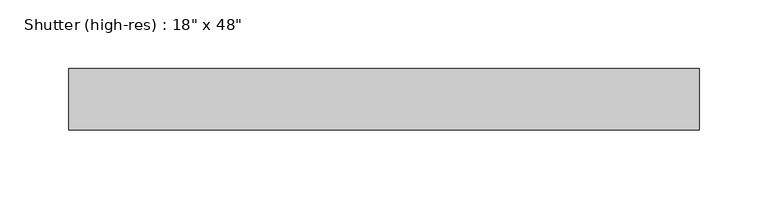
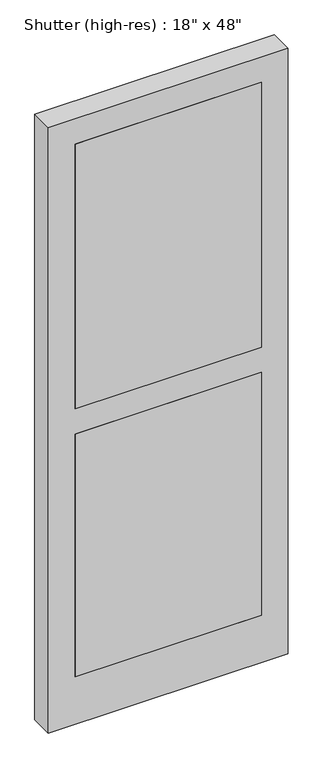
"""IFC4 building model written with IfcOpenShell, lengths in millimetres: proxy geometry."""

from ifc_helpers import new_model, si_unit, frame, origin, place, context, project, spatial, polyline, outline, extrude, source, transform, mapped, element, save


def proxy_112f0d34(model_context):
    return source(origin(), model_context, "Body", "SweptSolid", [
        extrude(outline(polyline([(123.757878, 1498.6), (136.457878, 1454.15), (123.757878, 1454.15), (136.457878, 1409.7), (123.757878, 1409.7), (136.457878, 1365.25), (123.757878, 1365.25), (136.457878, 1320.8), (123.757878, 1320.8), (136.457878, 1276.35), (123.757878, 1276.35), (136.457878, 1231.9), (123.757878, 1231.9), (136.457878, 1187.45), (123.757878, 1187.45), (136.457878, 1143.0), (123.757878, 1143.0), (136.457878, 1098.55), (123.757878, 1098.55), (136.457878, 1054.1), (123.757878, 1054.1), (136.457878, 1009.65), (111.125, 1009.65), (111.125, 1498.6), (123.757878, 1498.6)])), frame((-238.9374852, 0.0, 0.0), z_axis=(1.0, 0.0, 0.0), x_axis=(0.0, 1.0, 0.0)), (0.0, 0.0, 1.0), 355.6),
        extrude(outline(polyline([(123.757878, 2082.8), (136.457878, 2038.35), (123.757878, 2038.35), (136.457878, 1993.9), (123.757878, 1993.9), (136.457878, 1949.45), (123.757878, 1949.45), (136.457878, 1905.0), (123.757878, 1905.0), (136.457878, 1860.55), (123.757878, 1860.55), (136.457878, 1816.1), (123.757878, 1816.1), (136.457878, 1771.65), (123.757878, 1771.65), (136.457878, 1727.2), (123.757878, 1727.2), (136.457878, 1682.75), (123.757878, 1682.75), (136.457878, 1638.3), (123.757878, 1638.3), (136.457878, 1593.85), (123.757878, 1593.85), (136.457878, 1549.4), (111.125, 1549.4), (111.125, 2082.8), (123.757878, 2082.8)])), frame((-238.9374852, 0.0, 0.0), z_axis=(1.0, 0.0, 0.0), x_axis=(0.0, 1.0, 0.0)), (0.0, 0.0, 1.0), 355.6),
        extrude(outline(polyline([(2133.6, -289.7374852), (914.4, -289.7374852), (914.4, 167.4625148), (2133.6, 167.4625148), (2133.6, -289.7374852)]), holes=[polyline([(2082.8, -238.9374852), (2082.8, 116.6625148), (1549.4, 116.6625148), (1549.4, -238.9374852), (2082.8, -238.9374852)]), polyline([(1498.6, -238.9374852), (1498.6, 116.6625148), (1009.65, 116.6625148), (1009.65, -238.9374852), (1498.6, -238.9374852)])]), frame((0.0, 111.125, 0.0), z_axis=(0.0, 1.0, 0.0), x_axis=(0.0, 0.0, 1.0)), (0.0, 0.0, 1.0), 44.45),
    ])


if __name__ == "__main__":
    model = new_model("IFC4")
    model_context = context("Model", 3, world=origin())
    ifc_project = project(units=[si_unit("LENGTHUNIT", "METRE", prefix="MILLI")], contexts=[model_context])
    site = spatial("IfcSite", under=ifc_project)
    building = spatial("IfcBuilding", under=site)
    placement = place(None, origin())
    proxy_shape = proxy_112f0d34(model_context)
    element("IfcBuildingElementProxy", 1, Name="Shutter (high-res) : 18\" x 48\"", ObjectType="Shutter (high-res) : 18\" x 48\"", at=placement, inside=building, context=model_context, shape_type="MappedRepresentation", body=[
        mapped(proxy_shape, transform((0.0, 0.0, 0.0), x_axis=(1.0, 0.0, 0.0), y_axis=(0.0, 1.0, 0.0), z_axis=(0.0, 0.0, 1.0))),
    ])
    save(model, "model.ifc")
